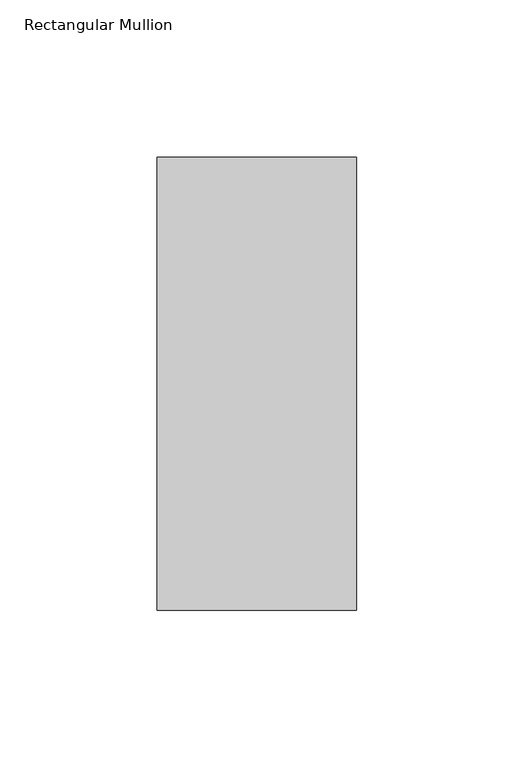
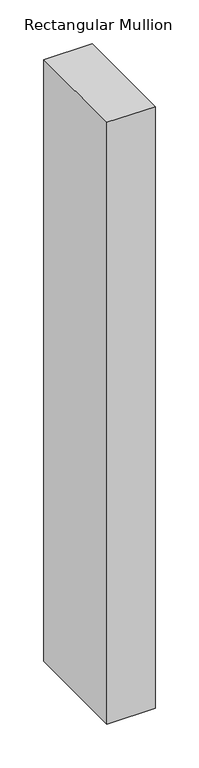
"""IFC4 building model written with IfcOpenShell, lengths in millimetres: member geometry, Rectangular Mullion."""

import ifcopenshell
import ifcopenshell.guid

model = None  # the IFC model being written
_history = None  # IfcOwnerHistory: only IFC2X3 demands one
_inside = {}  # id of a spatial element -> (the spatial element, [elements in it])
_under = {}  # id of a project, library or spatial element -> (it, [spatial elements below it])
_declared = {}  # id of a project -> (the project, [libraries it declares])
_typed = {}  # id of a type object -> (the type object, [elements of that type])
_made_of = {}  # id of a material, layer set ... -> (it, [elements and type objects made of it])


def new_model(schema):
    """Start an empty IFC model of exactly this schema.

    Asked for "IFC4X3", IfcOpenShell would pick the latest addendum, in which some entities
    have other attributes; the version numbers below select the first issue.
    IFC2X3 requires an IfcOwnerHistory on every rooted entity: one is made here for all.
    """
    global model, _history
    if schema == "IFC4X3":
        model = ifcopenshell.file(schema_version=(4, 3, 0, 0))
    else:
        model = ifcopenshell.file(schema=schema)
    _inside.clear()
    _under.clear()
    _declared.clear()
    _typed.clear()
    _made_of.clear()
    _history = None
    if model.schema == "IFC2X3":
        org = make("IfcOrganization", Name="unknown")
        user = make(
            "IfcPersonAndOrganization",
            ThePerson=make("IfcPerson", FamilyName="unknown"),
            TheOrganization=org,
        )
        app = make(
            "IfcApplication",
            ApplicationDeveloper=org,
            Version="unknown",
            ApplicationFullName="unknown",
            ApplicationIdentifier="unknown",
        )
        _history = make(
            "IfcOwnerHistory",
            OwningUser=user,
            OwningApplication=app,
            ChangeAction="ADDED",
            CreationDate=0,
        )
    return model


def make(cls, **values):
    """One entity of the class cls with the attributes given. An attribute that is None is left unset."""
    return model.create_entity(
        cls, **{name: value for name, value in values.items() if value is not None}
    )


def rooted(cls, **values):
    """An entity with a GlobalId (a new one), such as an element, a storey or a relation."""
    return make(cls, GlobalId=ifcopenshell.guid.new(), OwnerHistory=_history, **values)


def si_unit(unit_type, name, prefix=None):
    """IfcSIUnit, for example si_unit("LENGTHUNIT", "METRE", prefix="MILLI")."""
    return make("IfcSIUnit", UnitType=unit_type, Prefix=prefix, Name=name)


def assignment(units):
    """IfcUnitAssignment: the units of a project."""
    return None if units is None else make("IfcUnitAssignment", Units=units)


def point(xyz):
    """IfcCartesianPoint."""
    return None if xyz is None else make("IfcCartesianPoint", Coordinates=xyz)


def direction(xyz):
    """IfcDirection."""
    return None if xyz is None else make("IfcDirection", DirectionRatios=xyz)


def frame(location, z_axis=None, x_axis=None):
    """IfcAxis2Placement3D, a coordinate frame: its origin and axes. An axis left out is left unset."""
    return make(
        "IfcAxis2Placement3D",
        Location=point(location),
        Axis=direction(z_axis),
        RefDirection=direction(x_axis),
    )


def origin():
    """The frame at (0, 0, 0) with its axes left unset."""
    return frame((0.0, 0.0, 0.0))


def place(relative_to, where):
    """IfcLocalPlacement: puts the frame where relative to a parent placement (None: the world)."""
    return make(
        "IfcLocalPlacement", PlacementRelTo=relative_to, RelativePlacement=where
    )


def context(
    kind, dimensions, precision=None, world=None, true_north=None, identifier=None
):
    """IfcGeometricRepresentationContext, for example the 3D "Model" context."""
    return make(
        "IfcGeometricRepresentationContext",
        ContextIdentifier=identifier,
        ContextType=kind,
        CoordinateSpaceDimension=dimensions,
        Precision=precision,
        WorldCoordinateSystem=world,
        TrueNorth=true_north,
    )


def project(units=None, contexts=None):
    """IfcProject with its units and contexts."""
    return rooted(
        "IfcProject",
        Name="project",
        RepresentationContexts=contexts,
        UnitsInContext=assignment(units),
    )


def spatial(cls, under=None, at=None, **own):
    """A site, building, storey or space (cls), placed at a placement, below another one or the project."""
    s = rooted(cls, ObjectPlacement=at, **own)
    if under is not None:
        _under.setdefault(under.id(), (under, []))[1].append(s)
    return s


def polyline(points):
    """IfcPolyline through the points."""
    return make("IfcPolyline", Points=[point(p) for p in points])


def outline(outer, holes=None, kind="AREA"):
    """IfcArbitraryClosedProfileDef: a profile drawn as a closed curve; with holes, ...WithVoids."""
    if holes is None:
        return make("IfcArbitraryClosedProfileDef", ProfileType=kind, OuterCurve=outer)
    return make(
        "IfcArbitraryProfileDefWithVoids",
        ProfileType=kind,
        OuterCurve=outer,
        InnerCurves=holes,
    )


def extrude(swept, where, along, depth):
    """IfcExtrudedAreaSolid: the profile swept, set in the frame where, extruded along a direction by depth."""
    return make(
        "IfcExtrudedAreaSolid",
        SweptArea=swept,
        Position=where,
        ExtrudedDirection=direction(along),
        Depth=depth,
    )


def shape(context_of_items, identifier, shape_type, items):
    """IfcShapeRepresentation: the items that make up one representation, for example the "Body"."""
    return make(
        "IfcShapeRepresentation",
        ContextOfItems=context_of_items,
        RepresentationIdentifier=identifier,
        RepresentationType=shape_type,
        Items=items,
    )


def source(mapping_origin, context_of_items, identifier, shape_type, items):
    """IfcRepresentationMap: a shape defined once, which mapped items show again and again."""
    return make(
        "IfcRepresentationMap",
        MappingOrigin=mapping_origin,
        MappedRepresentation=shape(context_of_items, identifier, shape_type, items),
    )


def transform(
    local_origin,
    x_axis=None,
    y_axis=None,
    z_axis=None,
    scale=None,
    scale2=None,
    scale3=None,
    uniform=True,
):
    """IfcCartesianTransformationOperator3D, or its non-uniform kind. x_axis, y_axis, z_axis: its Axis1, 2, 3."""
    if uniform:
        return make(
            "IfcCartesianTransformationOperator3D",
            Axis1=direction(x_axis),
            Axis2=direction(y_axis),
            LocalOrigin=point(local_origin),
            Scale=scale,
            Axis3=direction(z_axis),
        )
    return make(
        "IfcCartesianTransformationOperator3DnonUniform",
        Axis1=direction(x_axis),
        Axis2=direction(y_axis),
        LocalOrigin=point(local_origin),
        Scale=scale,
        Axis3=direction(z_axis),
        Scale2=scale2,
        Scale3=scale3,
    )


def mapped(mapping_source, mapping_target):
    """IfcMappedItem: shows the shape of a source again, moved by a transform."""
    return make(
        "IfcMappedItem", MappingSource=mapping_source, MappingTarget=mapping_target
    )


def made_of(thing, what):
    """Note that an element or type object is made of a material, layer set ...; save() writes the relation."""
    if what is not None:
        _made_of.setdefault(what.id(), (what, []))[1].append(thing)
    return thing


def element(
    cls,
    number,
    at=None,
    inside=None,
    cuts=None,
    type_object=None,
    material=None,
    context=None,
    identifier="Body",
    shape_type=None,
    held_by="IfcProductDefinitionShape",
    body=None,
    shapes=None,
    **own,
):
    """One element of the class cls, such as IfcWall. Its Tag is "e" and its number.

    at: its placement. inside: the storey or other place that contains it. cuts: it is an
    opening in that element (IfcRelVoidsElement). A single representation is given by context,
    identifier, shape_type and body (its items); several are given by shapes. held_by: the class
    of the entity that holds the representations. save() writes the other relations.
    """
    e = rooted(cls, Tag="e%d" % number, ObjectPlacement=at, **own)
    if body is not None:
        shapes = [shape(context, identifier, shape_type, body)]
    if shapes is not None:
        e.Representation = make(held_by, Representations=shapes)
    if inside is not None:
        _inside.setdefault(inside.id(), (inside, []))[1].append(e)
    if cuts is not None:
        rooted(
            "IfcRelVoidsElement", RelatingBuildingElement=cuts, RelatedOpeningElement=e
        )
    if type_object is not None:
        _typed.setdefault(type_object.id(), (type_object, []))[1].append(e)
    return made_of(e, material)


def aggregate(whole, parts):
    """IfcRelAggregates: a whole, such as a stair, and the parts it consists of."""
    return rooted("IfcRelAggregates", RelatingObject=whole, RelatedObjects=parts)


def save(model, path):
    """Write the relations noted so far, then the file.

    IfcRelAggregates (storeys below a building ...), IfcRelContainedInSpatialStructure (elements
    in a storey), IfcRelDefinesByType, IfcRelAssociatesMaterial and IfcRelDeclares: one each for
    every whole, place, type object, material and project.
    """
    for whole, parts in _under.values():
        aggregate(whole, parts)
    for where, things in _inside.values():
        rooted(
            "IfcRelContainedInSpatialStructure",
            RelatedElements=things,
            RelatingStructure=where,
        )
    for kind, things in _typed.values():
        rooted("IfcRelDefinesByType", RelatedObjects=things, RelatingType=kind)
    for what, things in _made_of.values():
        rooted("IfcRelAssociatesMaterial", RelatedObjects=things, RelatingMaterial=what)
    for by, libraries in _declared.values():
        rooted("IfcRelDeclares", RelatingContext=by, RelatedDefinitions=libraries)
    model.write(path)


def rectangular_mullion_51f6de61(model_context):
    return source(origin(), model_context, "Body", "SweptSolid", [
        extrude(outline(polyline([(31.7499999, 190.7881312), (31.7499999, 46.7447302), (-31.7499998, 46.7447302), (-31.7499998, 190.7881312), (31.7499999, 190.7881312)])), frame((0.0, 0.0, -838.1999996), z_axis=(0.0, 0.0, 1.0), x_axis=(1.0, 0.0, 0.0)), (0.0, 0.0, 1.0), 838.1999996),
    ])


if __name__ == "__main__":
    model = new_model("IFC4")
    model_context = context("Model", 3, world=origin())
    ifc_project = project(units=[si_unit("LENGTHUNIT", "METRE", prefix="MILLI")], contexts=[model_context])
    site = spatial("IfcSite", under=ifc_project)
    building = spatial("IfcBuilding", under=site)
    placement = place(None, origin())
    rectangular_mullion_shape = rectangular_mullion_51f6de61(model_context)
    element("IfcMember", 1, ObjectType="Rectangular Mullion", at=placement, inside=building, context=model_context, shape_type="MappedRepresentation", body=[
        mapped(rectangular_mullion_shape, transform((0.0, 0.0, 0.0), x_axis=(1.0, 0.0, 0.0), y_axis=(0.0, 1.0, 0.0), z_axis=(0.0, 0.0, 1.0))),
    ])
    save(model, "model.ifc")
